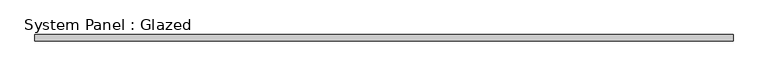
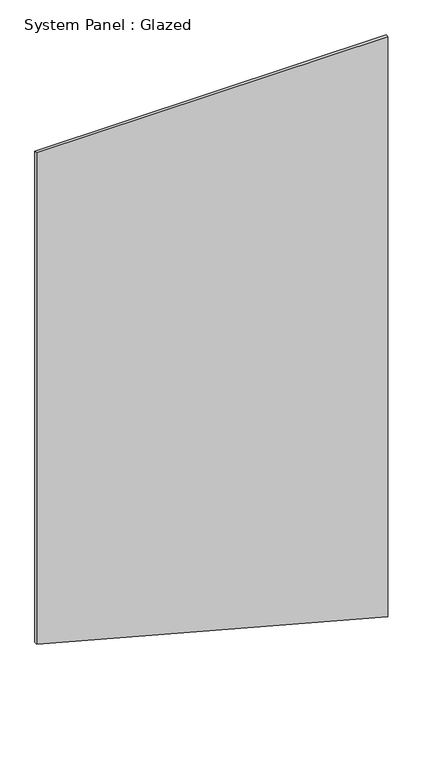
"""IFC4 building model written with IfcOpenShell, lengths in millimetres: plate geometry, System Panel : Glazed."""

from ifc_helpers import new_model, si_unit, frame, origin, place, context, project, spatial, polyline, outline, extrude, source, transform, mapped, element, save


def system_panel_glazed_2a4afc82(model_context):
    return source(origin(), model_context, "Body", "SweptSolid", [
        extrude(outline(polyline([(763.6551984, -1425.0), (0.0, 1425.0), (4977.1565912, 1425.0), (4977.1565912, -1425.0), (763.6551984, -1425.0)])), frame((0.0, -2.5, 0.0), z_axis=(0.0, 1.0, 0.0), x_axis=(0.0, 0.0, 1.0)), (0.0, 0.0, 1.0), 25.0),
    ])


if __name__ == "__main__":
    model = new_model("IFC4")
    model_context = context("Model", 3, world=origin())
    ifc_project = project(units=[si_unit("LENGTHUNIT", "METRE", prefix="MILLI")], contexts=[model_context])
    site = spatial("IfcSite", under=ifc_project)
    building = spatial("IfcBuilding", under=site)
    placement = place(None, origin())
    system_panel_glazed_shape = system_panel_glazed_2a4afc82(model_context)
    element("IfcPlate", 1, ObjectType="System Panel : Glazed", at=placement, inside=building, context=model_context, shape_type="MappedRepresentation", body=[
        mapped(system_panel_glazed_shape, transform((0.0, 0.0, 0.0), x_axis=(1.0, 0.0, 0.0), y_axis=(0.0, 1.0, 0.0), z_axis=(0.0, 0.0, 1.0))),
    ])
    save(model, "model.ifc")
